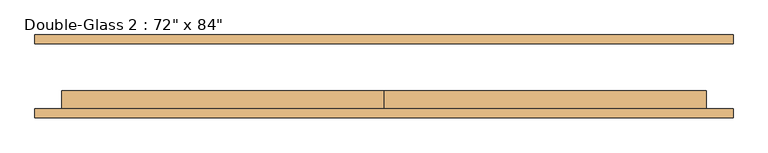
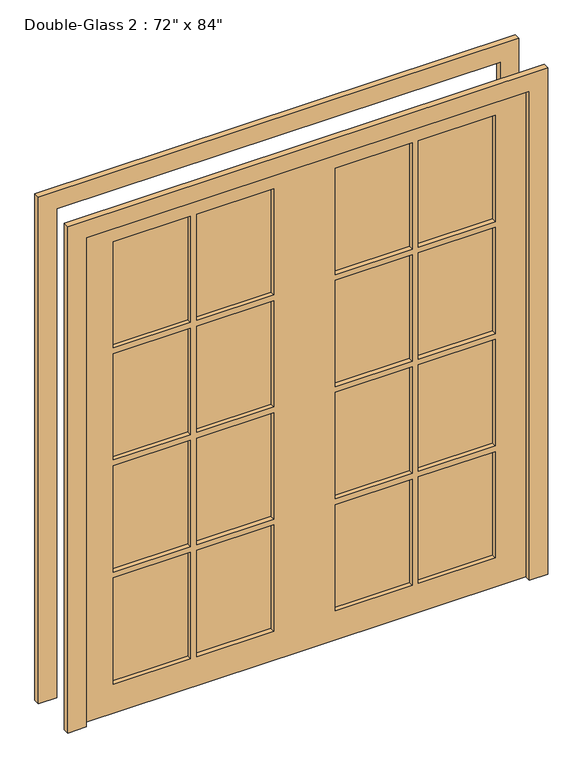
"""IFC4 building model written with IfcOpenShell, lengths in millimetres: door geometry."""

from ifc_helpers import new_model, si_unit, frame, origin, place, context, project, spatial, polyline, outline, extrude, source, transform, mapped, element, save


def door_effb5c51(model_context):
    return source(origin(), model_context, "Body", "SweptSolid", [
        extrude(outline(polyline([(469.9, -73.025), (469.9, -60.325), (787.4, -60.325), (787.4, -73.025), (469.9, -73.025)])), frame((0.0, 0.0, 1593.85), z_axis=(0.0, 0.0, 1.0), x_axis=(1.0, 0.0, 0.0)), (0.0, 0.0, 1.0), 463.55),
        extrude(outline(polyline([(127.0, -73.025), (127.0, -60.325), (444.5, -60.325), (444.5, -73.025), (127.0, -73.025)])), frame((0.0, 0.0, 1593.85), z_axis=(0.0, 0.0, 1.0), x_axis=(1.0, 0.0, 0.0)), (0.0, 0.0, 1.0), 463.55),
        extrude(outline(polyline([(-444.5, -73.025), (-444.5, -60.325), (-127.0, -60.325), (-127.0, -73.025), (-444.5, -73.025)])), frame((0.0, 0.0, 1593.85), z_axis=(0.0, 0.0, 1.0), x_axis=(1.0, 0.0, 0.0)), (0.0, 0.0, 1.0), 463.55),
        extrude(outline(polyline([(-787.4, -73.025), (-787.4, -60.325), (-469.9, -60.325), (-469.9, -73.025), (-787.4, -73.025)])), frame((0.0, 0.0, 1593.85), z_axis=(0.0, 0.0, 1.0), x_axis=(1.0, 0.0, 0.0)), (0.0, 0.0, 1.0), 463.55),
        extrude(outline(polyline([(-787.4, -73.025), (-787.4, -60.325), (-469.9, -60.325), (-469.9, -73.025), (-787.4, -73.025)])), frame((0.0, 0.0, 1104.9), z_axis=(0.0, 0.0, 1.0), x_axis=(1.0, 0.0, 0.0)), (0.0, 0.0, 1.0), 463.55),
        extrude(outline(polyline([(-444.5, -73.025), (-444.5, -60.325), (-127.0, -60.325), (-127.0, -73.025), (-444.5, -73.025)])), frame((0.0, 0.0, 1104.9), z_axis=(0.0, 0.0, 1.0), x_axis=(1.0, 0.0, 0.0)), (0.0, 0.0, 1.0), 463.55),
        extrude(outline(polyline([(127.0, -73.025), (127.0, -60.325), (444.5, -60.325), (444.5, -73.025), (127.0, -73.025)])), frame((0.0, 0.0, 1104.9), z_axis=(0.0, 0.0, 1.0), x_axis=(1.0, 0.0, 0.0)), (0.0, 0.0, 1.0), 463.55),
        extrude(outline(polyline([(469.9, -73.025), (469.9, -60.325), (787.4, -60.325), (787.4, -73.025), (469.9, -73.025)])), frame((0.0, 0.0, 1104.9), z_axis=(0.0, 0.0, 1.0), x_axis=(1.0, 0.0, 0.0)), (0.0, 0.0, 1.0), 463.55),
        extrude(outline(polyline([(469.9, -73.025), (469.9, -60.325), (787.4, -60.325), (787.4, -73.025), (469.9, -73.025)])), frame((0.0, 0.0, 615.95), z_axis=(0.0, 0.0, 1.0), x_axis=(1.0, 0.0, 0.0)), (0.0, 0.0, 1.0), 463.55),
        extrude(outline(polyline([(127.0, -73.025), (127.0, -60.325), (444.5, -60.325), (444.5, -73.025), (127.0, -73.025)])), frame((0.0, 0.0, 615.95), z_axis=(0.0, 0.0, 1.0), x_axis=(1.0, 0.0, 0.0)), (0.0, 0.0, 1.0), 463.55),
        extrude(outline(polyline([(-444.5, -73.025), (-444.5, -60.325), (-127.0, -60.325), (-127.0, -73.025), (-444.5, -73.025)])), frame((0.0, 0.0, 615.95), z_axis=(0.0, 0.0, 1.0), x_axis=(1.0, 0.0, 0.0)), (0.0, 0.0, 1.0), 463.55),
        extrude(outline(polyline([(-787.4, -73.025), (-787.4, -60.325), (-469.9, -60.325), (-469.9, -73.025), (-787.4, -73.025)])), frame((0.0, 0.0, 615.95), z_axis=(0.0, 0.0, 1.0), x_axis=(1.0, 0.0, 0.0)), (0.0, 0.0, 1.0), 463.55),
        extrude(outline(polyline([(469.9, -73.025), (469.9, -60.325), (787.4, -60.325), (787.4, -73.025), (469.9, -73.025)])), frame((0.0, 0.0, 127.0), z_axis=(0.0, 0.0, 1.0), x_axis=(1.0, 0.0, 0.0)), (0.0, 0.0, 1.0), 463.55),
        extrude(outline(polyline([(127.0, -73.025), (127.0, -60.325), (444.5, -60.325), (444.5, -73.025), (127.0, -73.025)])), frame((0.0, 0.0, 127.0), z_axis=(0.0, 0.0, 1.0), x_axis=(1.0, 0.0, 0.0)), (0.0, 0.0, 1.0), 463.55),
        extrude(outline(polyline([(-444.5, -73.025), (-444.5, -60.325), (-127.0, -60.325), (-127.0, -73.025), (-444.5, -73.025)])), frame((0.0, 0.0, 127.0), z_axis=(0.0, 0.0, 1.0), x_axis=(1.0, 0.0, 0.0)), (0.0, 0.0, 1.0), 463.55),
        extrude(outline(polyline([(-787.4, -73.025), (-787.4, -60.325), (-469.9, -60.325), (-469.9, -73.025), (-787.4, -73.025)])), frame((0.0, 0.0, 127.0), z_axis=(0.0, 0.0, 1.0), x_axis=(1.0, 0.0, 0.0)), (0.0, 0.0, 1.0), 463.55),
        extrude(outline(polyline([(2133.6, 0.0), (2133.6, -914.4), (0.0, -914.4), (0.0, 0.0), (0.0, 914.4), (2133.6, 914.4), (2133.6, 0.0)]), holes=[polyline([(2057.4, 469.9), (2057.4, 787.4), (1593.85, 787.4), (1593.85, 469.9), (2057.4, 469.9)]), polyline([(2057.4, 127.0), (2057.4, 444.5), (1593.85, 444.5), (1593.85, 127.0), (2057.4, 127.0)]), polyline([(1568.45, 469.9), (1568.45, 787.4), (1104.9, 787.4), (1104.9, 469.9), (1568.45, 469.9)]), polyline([(1568.45, 127.0), (1568.45, 444.5), (1104.9, 444.5), (1104.9, 127.0), (1568.45, 127.0)]), polyline([(1079.5, 469.9), (1079.5, 787.4), (615.95, 787.4), (615.95, 469.9), (1079.5, 469.9)]), polyline([(1079.5, 127.0), (1079.5, 444.5), (615.95, 444.5), (615.95, 127.0), (1079.5, 127.0)]), polyline([(590.55, 469.9), (590.55, 787.4), (127.0, 787.4), (127.0, 469.9), (590.55, 469.9)]), polyline([(590.55, 127.0), (590.55, 444.5), (127.0, 444.5), (127.0, 127.0), (590.55, 127.0)]), polyline([(2057.4, -444.5), (2057.4, -127.0), (1593.85, -127.0), (1593.85, -444.5), (2057.4, -444.5)]), polyline([(1568.45, -444.5), (1568.45, -127.0), (1104.9, -127.0), (1104.9, -444.5), (1568.45, -444.5)]), polyline([(1568.45, -469.9), (1104.9, -469.9), (1104.9, -787.4), (1568.45, -787.4), (1568.45, -469.9)]), polyline([(1079.5, -444.5), (1079.5, -127.0), (615.95, -127.0), (615.95, -444.5), (1079.5, -444.5)]), polyline([(1079.5, -469.9), (615.95, -469.9), (615.95, -787.4), (1079.5, -787.4), (1079.5, -469.9)]), polyline([(590.55, -444.5), (590.55, -127.0), (127.0, -127.0), (127.0, -444.5), (590.55, -444.5)]), polyline([(590.55, -787.4), (590.55, -469.9), (127.0, -469.9), (127.0, -787.4), (590.55, -787.4)]), polyline([(1593.85, -469.9), (1593.85, -787.4), (2057.4, -787.4), (2057.4, -469.9), (1593.85, -469.9)])]), frame((0.0, -92.075, 0.0), z_axis=(0.0, 1.0, 0.0), x_axis=(0.0, 0.0, 1.0)), (0.0, 0.0, 1.0), 50.8),
        extrude(outline(polyline([(2133.6, -914.4), (2133.6, 914.4), (0.0, 914.4), (0.0, 990.6), (2209.8, 990.6), (2209.8, -990.6), (0.0, -990.6), (0.0, -914.4), (2133.6, -914.4)])), frame((0.0, 92.075, 0.0), z_axis=(0.0, 1.0, 0.0), x_axis=(0.0, 0.0, 1.0)), (0.0, 0.0, 1.0), 25.4),
        extrude(outline(polyline([(2133.6, -914.4), (2133.6, 914.4), (0.0, 914.4), (0.0, 990.6), (2209.8, 990.6), (2209.8, -990.6), (0.0, -990.6), (0.0, -914.4), (2133.6, -914.4)])), frame((0.0, -117.475, 0.0), z_axis=(0.0, 1.0, 0.0), x_axis=(0.0, 0.0, 1.0)), (0.0, 0.0, 1.0), 25.4),
    ])


if __name__ == "__main__":
    model = new_model("IFC4")
    model_context = context("Model", 3, world=origin())
    ifc_project = project(units=[si_unit("LENGTHUNIT", "METRE", prefix="MILLI")], contexts=[model_context])
    site = spatial("IfcSite", under=ifc_project)
    building = spatial("IfcBuilding", under=site)
    placement = place(None, origin())
    door_shape = door_effb5c51(model_context)
    element("IfcDoor", 1, ObjectType="Double-Glass 2 : 72\" x 84\"", at=placement, inside=building, context=model_context, shape_type="MappedRepresentation", body=[
        mapped(door_shape, transform((0.0, 0.0, 0.0), x_axis=(1.0, 0.0, 0.0), y_axis=(0.0, 1.0, 0.0), z_axis=(0.0, 0.0, 1.0))),
    ])
    save(model, "model.ifc")
